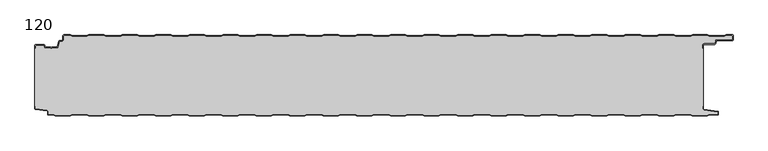
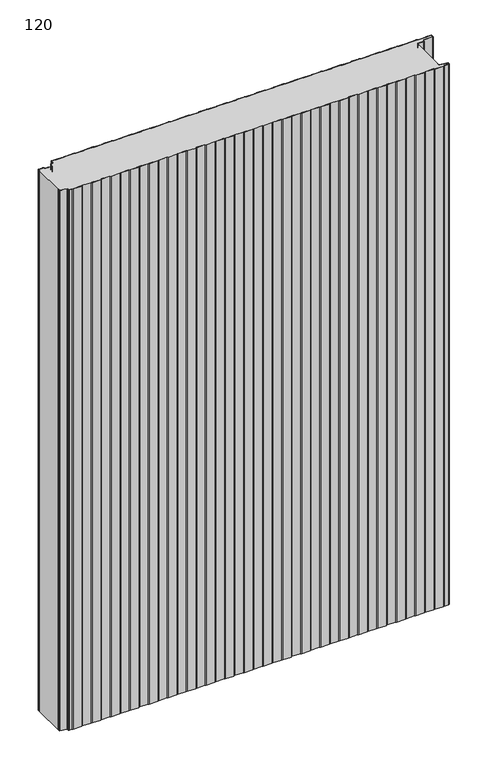
"""IFC4 building model written with IfcOpenShell, lengths in millimetres: plate geometry, 120."""

from ifc_helpers import new_model, si_unit, point, frame_2d, origin, origin_with_axes, place, context, project, spatial, polyline, circle_curve, trimmed, segment, composite_curve, outline, extrude, source, transform, mapped, element, save


def plate_120_201eafa0(model_context):
    return source(origin(), model_context, "Body", "SweptSolid", [
        extrude(outline(composite_curve([segment(trimmed(circle_curve(frame_2d((-498.6, -16.2480681)), 1.4), [point((-500.0, -16.2480681))], [point((-498.6, -14.8480681))], False, "CARTESIAN"), True, "CONTINUOUS"), segment(polyline([(-498.6, -14.8480681), (-486.4969094, -14.8480681)]), True, "CONTINUOUS"), segment(trimmed(circle_curve(frame_2d((-486.4969094, -16.2480681)), 1.4), [point((-486.4969094, -14.8480681))], [point((-485.1275334, -15.9568477))], False, "CARTESIAN"), True, "CONTINUOUS"), segment(polyline([(-485.1275334, -15.9568477), (-484.6878192, -18.0244711)]), True, "CONTINUOUS"), segment(trimmed(circle_curve(frame_2d((-484.1011925, -17.8997153)), 0.5997457), [point((-484.6878192, -18.0244711))], [point((-484.1011925, -18.499461))], True, "CARTESIAN"), True, "CONTINUOUS"), segment(polyline([(-484.1011925, -18.499461), (-476.9006569, -18.499461)]), True, "CONTINUOUS"), segment(trimmed(circle_curve(frame_2d((-476.9006569, -19.799946)), 1.300485), [point((-476.9006569, -18.499461))], [point((-475.9808032, -18.8806362))], False, "CARTESIAN"), True, "CONTINUOUS"), segment(trimmed(circle_curve(frame_2d((-475.5877843, -18.5693125)), 0.5013845), [point((-475.9808032, -18.8806362))], [point((-475.2328971, -18.9234896))], True, "CARTESIAN"), True, "CONTINUOUS"), segment(trimmed(circle_curve(frame_2d((-474.2728751, -19.8002001)), 1.3001013), [point((-475.2328971, -18.9234896))], [point((-474.2728751, -18.5000988))], False, "CARTESIAN"), True, "CONTINUOUS"), segment(polyline([(-474.2728751, -18.5000988), (-467.0728572, -18.5000988)]), True, "CONTINUOUS"), segment(trimmed(circle_curve(frame_2d((-467.0728572, -17.9000522)), 0.6000466), [point((-467.0728572, -18.5000988))], [point((-466.4859224, -18.0248059))], True, "CARTESIAN"), True, "CONTINUOUS"), segment(polyline([(-466.4859224, -18.0248059), (-464.8033928, -10.1089305)]), True, "CONTINUOUS"), segment(trimmed(circle_curve(frame_2d((-463.4339847, -10.4)), 1.4), [point((-464.8033928, -10.1089305))], [point((-463.4339847, -9.0))], False, "CARTESIAN"), True, "CONTINUOUS"), segment(polyline([(-463.4339847, -9.0), (-460.4027062, -9.0)]), True, "CONTINUOUS"), segment(trimmed(circle_curve(frame_2d((-460.4027062, -7.1)), 1.9), [point((-460.4027062, -9.0))], [point((-458.5027062, -7.1))], True, "CARTESIAN"), True, "CONTINUOUS"), segment(polyline([(-458.5027062, -7.1), (-458.5027062, -2.0)]), True, "CONTINUOUS"), segment(trimmed(circle_curve(frame_2d((-456.5027062, -2.0)), 2.0), [point((-458.5027062, -2.0))], [point((-456.5027062, 0.0))], False, "CARTESIAN"), True, "CONTINUOUS"), segment(polyline([(-456.5027062, 0.0), (-447.5017452, 0.0), (-444.5017452, -1.0), (-422.5017452, -1.0), (-419.5017452, 0.0), (-397.5017452, 0.0), (-394.5017452, -1.0), (-372.5017452, -1.0), (-369.5017452, 0.0), (-347.5017452, 0.0), (-344.5017452, -1.0), (-322.5017452, -1.0), (-319.5017452, 0.0), (-297.5017452, 0.0), (-294.5017452, -1.0), (-272.5017452, -1.0), (-269.5017452, 0.0), (-247.5017452, 0.0), (-244.5017452, -1.0), (-222.5017452, -1.0), (-219.5017452, 0.0), (-197.5017452, 0.0), (-194.5017452, -1.0), (-172.5017452, -1.0), (-169.5017452, 0.0), (-147.5017452, 0.0), (-144.5017452, -1.0), (-122.5017452, -1.0), (-119.5017452, 0.0), (-97.5017452, 0.0), (-94.5017452, -1.0), (-72.5017452, -1.0), (-69.5017452, 0.0), (-47.5017452, 0.0), (-44.5017452, -1.0), (-22.5017452, -1.0), (-19.5017452, 0.0), (2.4982548, 0.0), (5.4982548, -1.0), (27.4982548, -1.0), (30.4982548, 0.0), (52.4982548, 0.0), (55.4982548, -1.0), (77.4982548, -1.0), (80.4982548, 0.0), (102.4982548, 0.0), (105.4982548, -1.0), (127.4982548, -1.0), (130.4982548, 0.0), (152.4982548, 0.0), (155.4982548, -1.0), (177.4982548, -1.0), (180.4982548, 0.0), (202.4982548, 0.0), (205.4982548, -1.0), (227.4982548, -1.0), (230.4982548, 0.0), (252.4982548, 0.0), (255.4982548, -1.0), (277.4982548, -1.0), (280.4982548, 0.0), (302.4982548, 0.0), (305.4982548, -1.0), (327.4982548, -1.0), (330.4982548, 0.0), (352.4982548, 0.0), (355.4982548, -1.0), (377.4982548, -1.0), (380.4982548, 0.0), (402.4982548, 0.0), (405.4982548, -1.0), (427.4982548, -1.0), (430.4982548, 0.0), (452.4982548, 0.0), (455.4982548, -1.0), (477.4982548, -1.0), (480.4982548, 0.0), (502.4982548, 0.0), (505.4982548, -1.0), (527.4982548, -1.0), (530.4982548, 0.0), (539.4972938, 0.0)]), True, "CONTINUOUS"), segment(trimmed(circle_curve(frame_2d((539.4972938, -2.0)), 2.0), [point((539.4972938, 0.0))], [point((541.0, -0.6801992))], False, "CARTESIAN"), True, "CONTINUOUS"), segment(polyline([(541.0, -0.6801992), (541.0, -8.0014566)]), True, "CONTINUOUS"), segment(trimmed(circle_curve(frame_2d((539.7972938, -6.8)), 1.7), [point((541.0, -8.0014566))], [point((539.7972938, -8.5))], False, "CARTESIAN"), True, "CONTINUOUS"), segment(polyline([(539.7972938, -8.5), (517.0135311, -8.5)]), True, "CONTINUOUS"), segment(trimmed(circle_curve(frame_2d((517.0135311, -9.9)), 1.4), [point((517.0135311, -8.5))], [point((515.6441245, -9.6089236))], True, "CARTESIAN"), True, "CONTINUOUS"), segment(polyline([(515.6441245, -9.6089236), (514.8724972, -13.2391445)]), True, "CONTINUOUS"), segment(trimmed(circle_curve(frame_2d((513.5030906, -12.9480681)), 1.4), [point((514.8724972, -13.2391445))], [point((513.5030906, -14.3480681))], False, "CARTESIAN"), True, "CONTINUOUS"), segment(polyline([(513.5030906, -14.3480681), (497.9, -14.3480681)]), True, "CONTINUOUS"), segment(trimmed(circle_curve(frame_2d((497.9, -15.7480681)), 1.4), [point((497.9, -14.3480681))], [point((496.5, -15.7480681))], True, "CARTESIAN"), True, "CONTINUOUS"), segment(polyline([(496.5, -15.7480681), (496.5, -20.2482392), (495.7, -20.2482392), (495.7, -15.7480681)]), True, "CONTINUOUS"), segment(trimmed(circle_curve(frame_2d((497.9, -15.7480681)), 2.2), [point((495.7, -15.7480681))], [point((497.9, -13.5480681))], False, "CARTESIAN"), True, "CONTINUOUS"), segment(polyline([(497.9, -13.5480681), (513.5030906, -13.5480681)]), True, "CONTINUOUS"), segment(trimmed(circle_curve(frame_2d((513.5030906, -12.9480681)), 0.6), [point((513.5030906, -13.5480681))], [point((514.0899792, -13.0728151))], True, "CARTESIAN"), True, "CONTINUOUS"), segment(polyline([(514.0899792, -13.0728151), (514.8616064, -9.4425943)]), True, "CONTINUOUS"), segment(trimmed(circle_curve(frame_2d((517.0135311, -9.9)), 2.2), [point((514.8616064, -9.4425943))], [point((517.0135311, -7.7))], False, "CARTESIAN"), True, "CONTINUOUS"), segment(polyline([(517.0135311, -7.7), (539.7972938, -7.7)]), True, "CONTINUOUS"), segment(trimmed(circle_curve(frame_2d((539.7972938, -6.8)), 0.9), [point((539.7972938, -7.7))], [point((540.6972938, -6.8))], True, "CARTESIAN"), True, "CONTINUOUS"), segment(polyline([(540.6972938, -6.8), (540.6972938, -2.0)]), True, "CONTINUOUS"), segment(trimmed(circle_curve(frame_2d((539.4972938, -2.0)), 1.2), [point((540.6972938, -2.0))], [point((539.4972938, -0.8))], True, "CARTESIAN"), True, "CONTINUOUS"), segment(polyline([(539.4972938, -0.8), (530.6280769, -0.8), (527.6280769, -1.8), (505.3684327, -1.8), (502.3684327, -0.8), (480.6280769, -0.8), (477.6280769, -1.8), (455.3684327, -1.8), (452.3684327, -0.8), (430.6280769, -0.8), (427.6280769, -1.8), (405.3684327, -1.8), (402.3684327, -0.8), (380.6280769, -0.8), (377.6280769, -1.8), (355.3684327, -1.8), (352.3684327, -0.8), (330.6280769, -0.8), (327.6280769, -1.8), (305.3684327, -1.8), (302.3684327, -0.8), (280.6280769, -0.8), (277.6280769, -1.8), (255.3684327, -1.8), (252.3684327, -0.8), (230.6280769, -0.8), (227.6280769, -1.8), (205.3684327, -1.8), (202.3684327, -0.8), (180.6280769, -0.8), (177.6280769, -1.8), (155.3684327, -1.8), (152.3684327, -0.8), (130.6280769, -0.8), (127.6280769, -1.8), (105.3684327, -1.8), (102.3684327, -0.8), (80.6280769, -0.8), (77.6280769, -1.8), (55.3684327, -1.8), (52.3684327, -0.8), (30.6280769, -0.8), (27.6280769, -1.8), (5.3684327, -1.8), (2.3684327, -0.8), (-19.3719231, -0.8), (-22.3719231, -1.8), (-44.6315673, -1.8), (-47.6315673, -0.8), (-69.3719231, -0.8), (-72.3719231, -1.8), (-94.6315673, -1.8), (-97.6315673, -0.8), (-119.3719231, -0.8), (-122.3719231, -1.8), (-144.6315673, -1.8), (-147.6315673, -0.8), (-169.3719231, -0.8), (-172.3719231, -1.8), (-194.6315673, -1.8), (-197.6315673, -0.8), (-219.3719231, -0.8), (-222.3719231, -1.8), (-244.6315673, -1.8), (-247.6315673, -0.8), (-269.3719231, -0.8), (-272.3719231, -1.8), (-294.6315673, -1.8), (-297.6315673, -0.8), (-319.3719231, -0.8), (-322.3719231, -1.8), (-344.6315673, -1.8), (-347.6315673, -0.8), (-369.3719231, -0.8), (-372.3719231, -1.8), (-394.6315673, -1.8), (-397.6315673, -0.8), (-419.3719231, -0.8), (-422.3719231, -1.8), (-444.6315673, -1.8), (-447.6315673, -0.8), (-456.5027062, -0.8)]), True, "CONTINUOUS"), segment(trimmed(circle_curve(frame_2d((-456.5027062, -2.0)), 1.2), [point((-456.5027062, -0.8))], [point((-457.7027062, -2.0))], True, "CARTESIAN"), True, "CONTINUOUS"), segment(polyline([(-457.7027062, -2.0), (-457.7027062, -7.1)]), True, "CONTINUOUS"), segment(trimmed(circle_curve(frame_2d((-460.4027062, -7.1)), 2.7), [point((-457.7027062, -7.1))], [point((-460.4027062, -9.8))], False, "CARTESIAN"), True, "CONTINUOUS"), segment(polyline([(-460.4027062, -9.8), (-463.4339847, -9.8)]), True, "CONTINUOUS"), segment(trimmed(circle_curve(frame_2d((-463.4339847, -10.4)), 0.6), [point((-463.4339847, -9.8))], [point((-464.0208733, -10.275253))], True, "CARTESIAN"), True, "CONTINUOUS"), segment(polyline([(-464.0208733, -10.275253), (-465.7034335, -18.1910764)]), True, "CONTINUOUS"), segment(trimmed(circle_curve(frame_2d((-467.0728401, -17.9)), 1.4), [point((-465.7034335, -18.1910764))], [point((-467.0728401, -19.3))], False, "CARTESIAN"), True, "CONTINUOUS"), segment(polyline([(-467.0728401, -19.3), (-474.5122154, -19.3)]), True, "CONTINUOUS"), segment(trimmed(circle_curve(frame_2d((-475.5869697, -18.5686292)), 1.3), [point((-474.5122154, -19.3))], [point((-476.6617239, -19.3))], False, "CARTESIAN"), True, "CONTINUOUS"), segment(polyline([(-476.6617239, -19.3), (-484.1010993, -19.3)]), True, "CONTINUOUS"), segment(trimmed(circle_curve(frame_2d((-484.1010993, -17.9)), 1.4), [point((-484.1010993, -19.3))], [point((-485.4705059, -18.1910764))], False, "CARTESIAN"), True, "CONTINUOUS"), segment(polyline([(-485.4705059, -18.1910764), (-485.9100208, -16.1233211)]), True, "CONTINUOUS"), segment(trimmed(circle_curve(frame_2d((-486.4969094, -16.2480681)), 0.6), [point((-485.9100208, -16.1233211))], [point((-486.4969094, -15.6480681))], True, "CARTESIAN"), True, "CONTINUOUS"), segment(polyline([(-486.4969094, -15.6480681), (-498.6, -15.6480681)]), True, "CONTINUOUS"), segment(trimmed(circle_curve(frame_2d((-498.6, -16.2480681)), 0.6), [point((-498.6, -15.6480681))], [point((-499.2, -16.2480681))], True, "CARTESIAN"), True, "CONTINUOUS"), segment(polyline([(-499.2, -16.2480681), (-499.2, -20.2482392), (-500.0, -20.2482392), (-500.0, -16.2480681)]), True, "CONTINUOUS")], self_intersect=False)), origin_with_axes(), (0.0, 0.0, 1.0), 1500.0),
        extrude(outline(composite_curve([segment(polyline([(-500.0, -106.3232445), (-500.0, -20.2482392), (-499.2, -20.2482392), (-499.2, -16.2480681)]), True, "CONTINUOUS"), segment(trimmed(circle_curve(frame_2d((-498.6, -16.2480681)), 0.6), [point((-499.2, -16.2480681))], [point((-498.6, -15.6480681))], False, "CARTESIAN"), True, "CONTINUOUS"), segment(polyline([(-498.6, -15.6480681), (-486.4969094, -15.6480681)]), True, "CONTINUOUS"), segment(trimmed(circle_curve(frame_2d((-486.4969094, -16.2480681)), 0.6), [point((-486.4969094, -15.6480681))], [point((-485.9100208, -16.1233211))], False, "CARTESIAN"), True, "CONTINUOUS"), segment(polyline([(-485.9100208, -16.1233211), (-485.4705059, -18.1910764)]), True, "CONTINUOUS"), segment(trimmed(circle_curve(frame_2d((-484.1010993, -17.9)), 1.4), [point((-485.4705059, -18.1910764))], [point((-484.1010993, -19.3))], True, "CARTESIAN"), True, "CONTINUOUS"), segment(polyline([(-484.1010993, -19.3), (-476.6617239, -19.3)]), True, "CONTINUOUS"), segment(trimmed(circle_curve(frame_2d((-475.5869697, -18.5686292)), 1.3), [point((-476.6617239, -19.3))], [point((-474.5122154, -19.3))], True, "CARTESIAN"), True, "CONTINUOUS"), segment(polyline([(-474.5122154, -19.3), (-467.0728401, -19.3)]), True, "CONTINUOUS"), segment(trimmed(circle_curve(frame_2d((-467.0728401, -17.9)), 1.4), [point((-467.0728401, -19.3))], [point((-465.7034335, -18.1910764))], True, "CARTESIAN"), True, "CONTINUOUS"), segment(polyline([(-465.7034335, -18.1910764), (-464.0208733, -10.275253)]), True, "CONTINUOUS"), segment(trimmed(circle_curve(frame_2d((-463.4339847, -10.4)), 0.6), [point((-464.0208733, -10.275253))], [point((-463.4339847, -9.8))], False, "CARTESIAN"), True, "CONTINUOUS"), segment(polyline([(-463.4339847, -9.8), (-460.4027062, -9.8)]), True, "CONTINUOUS"), segment(trimmed(circle_curve(frame_2d((-460.4027062, -7.1)), 2.7), [point((-460.4027062, -9.8))], [point((-457.7027062, -7.1))], True, "CARTESIAN"), True, "CONTINUOUS"), segment(polyline([(-457.7027062, -7.1), (-457.7027062, -2.0)]), True, "CONTINUOUS"), segment(trimmed(circle_curve(frame_2d((-456.5027062, -2.0)), 1.2), [point((-457.7027062, -2.0))], [point((-456.5027062, -0.8))], False, "CARTESIAN"), True, "CONTINUOUS"), segment(polyline([(-456.5027062, -0.8), (-447.6315673, -0.8), (-444.6315673, -1.8), (-422.3719231, -1.8), (-419.3719231, -0.8), (-397.6315673, -0.8), (-394.6315673, -1.8), (-372.3719231, -1.8), (-369.3719231, -0.8), (-347.6315673, -0.8), (-344.6315673, -1.8), (-322.3719231, -1.8), (-319.3719231, -0.8), (-297.6315673, -0.8), (-294.6315673, -1.8), (-272.3719231, -1.8), (-269.3719231, -0.8), (-247.6315673, -0.8), (-244.6315673, -1.8), (-222.3719231, -1.8), (-219.3719231, -0.8), (-197.6315673, -0.8), (-194.6315673, -1.8), (-172.3719231, -1.8), (-169.3719231, -0.8), (-147.6315673, -0.8), (-144.6315673, -1.8), (-122.3719231, -1.8), (-119.3719231, -0.8), (-97.6315673, -0.8), (-94.6315673, -1.8), (-72.3719231, -1.8), (-69.3719231, -0.8), (-47.6315673, -0.8), (-44.6315673, -1.8), (-22.3719231, -1.8), (-19.3719231, -0.8), (2.3684327, -0.8), (5.3684327, -1.8), (27.6280769, -1.8), (30.6280769, -0.8), (52.3684327, -0.8), (55.3684327, -1.8), (77.6280769, -1.8), (80.6280769, -0.8), (102.3684327, -0.8), (105.3684327, -1.8), (127.6280769, -1.8), (130.6280769, -0.8), (152.3684327, -0.8), (155.3684327, -1.8), (177.6280769, -1.8), (180.6280769, -0.8), (202.3684327, -0.8), (205.3684327, -1.8), (227.6280769, -1.8), (230.6280769, -0.8), (252.3684327, -0.8), (255.3684327, -1.8), (277.6280769, -1.8), (280.6280769, -0.8), (302.3684327, -0.8), (305.3684327, -1.8), (327.6280769, -1.8), (330.6280769, -0.8), (352.3684327, -0.8), (355.3684327, -1.8), (377.6280769, -1.8), (380.6280769, -0.8), (402.3684327, -0.8), (405.3684327, -1.8), (427.6280769, -1.8), (430.6280769, -0.8), (452.3684327, -0.8), (455.3684327, -1.8), (477.6280769, -1.8), (480.6280769, -0.8), (502.3684327, -0.8), (505.3684327, -1.8), (527.6280769, -1.8), (530.6280769, -0.8), (539.4972938, -0.8)]), True, "CONTINUOUS"), segment(trimmed(circle_curve(frame_2d((539.4972938, -2.0)), 1.2), [point((539.4972938, -0.8))], [point((540.6972938, -2.0))], False, "CARTESIAN"), True, "CONTINUOUS"), segment(polyline([(540.6972938, -2.0), (540.6972938, -6.8)]), True, "CONTINUOUS"), segment(trimmed(circle_curve(frame_2d((539.7972938, -6.8)), 0.9), [point((540.6972938, -6.8))], [point((539.7972938, -7.7))], False, "CARTESIAN"), True, "CONTINUOUS"), segment(polyline([(539.7972938, -7.7), (517.0135311, -7.7)]), True, "CONTINUOUS"), segment(trimmed(circle_curve(frame_2d((517.0135311, -9.9)), 2.2), [point((517.0135311, -7.7))], [point((514.8616064, -9.4425943))], True, "CARTESIAN"), True, "CONTINUOUS"), segment(polyline([(514.8616064, -9.4425943), (514.0899792, -13.0728151)]), True, "CONTINUOUS"), segment(trimmed(circle_curve(frame_2d((513.5030906, -12.9480681)), 0.6), [point((514.0899792, -13.0728151))], [point((513.5030906, -13.5480681))], False, "CARTESIAN"), True, "CONTINUOUS"), segment(polyline([(513.5030906, -13.5480681), (497.9, -13.5480681)]), True, "CONTINUOUS"), segment(trimmed(circle_curve(frame_2d((497.9, -15.7480681)), 2.2), [point((497.9, -13.5480681))], [point((495.7, -15.7480681))], True, "CARTESIAN"), True, "CONTINUOUS"), segment(polyline([(495.7, -15.7480681), (495.7, -20.2482392), (496.5, -20.2482392), (496.5, -106.3232445), (495.7, -106.3232445), (495.7, -110.7275325)]), True, "CONTINUOUS"), segment(trimmed(circle_curve(frame_2d((497.2, -110.7275325)), 1.5), [point((495.7, -110.7275325))], [point((496.9911207, -112.2129178))], True, "CARTESIAN"), True, "CONTINUOUS"), segment(polyline([(496.9911207, -112.2129178), (517.69005, -115.1236622)]), True, "CONTINUOUS"), segment(trimmed(circle_curve(frame_2d((517.6075495, -115.7103403)), 0.5924505), [point((517.69005, -115.1236622))], [point((518.2, -115.7103403))], False, "CARTESIAN"), True, "CONTINUOUS"), segment(polyline([(518.2, -115.7103403), (518.2, -118.7)]), True, "CONTINUOUS"), segment(trimmed(circle_curve(frame_2d((517.7, -118.7)), 0.5), [point((518.2, -118.7))], [point((517.7, -119.2))], False, "CARTESIAN"), True, "CONTINUOUS"), segment(polyline([(517.7, -119.2), (505.3684327, -119.2), (502.3684327, -120.2), (480.3684327, -120.2), (477.3684327, -119.2), (455.3684327, -119.2), (452.3684327, -120.2), (430.3684327, -120.2), (427.3684327, -119.2), (405.3684327, -119.2), (402.3684327, -120.2), (380.3684327, -120.2), (377.3684327, -119.2), (355.3684327, -119.2), (352.3684327, -120.2), (330.3684327, -120.2), (327.3684327, -119.2), (305.3684327, -119.2), (302.3684327, -120.2), (280.3684327, -120.2), (277.3684327, -119.2), (255.3684327, -119.2), (252.3684327, -120.2), (230.3684327, -120.2), (227.3684327, -119.2), (205.3684327, -119.2), (202.3684327, -120.2), (180.3684327, -120.2), (177.3684327, -119.2), (155.3684327, -119.2), (152.3684327, -120.2), (130.3684327, -120.2), (127.3684327, -119.2), (105.3684327, -119.2), (102.3684327, -120.2), (80.3684327, -120.2), (77.3684327, -119.2), (55.3684327, -119.2), (52.3684327, -120.2), (30.3684327, -120.2), (27.3684327, -119.2), (5.3684327, -119.2), (2.3684327, -120.2), (-19.6315673, -120.2), (-22.6315673, -119.2), (-44.6315673, -119.2), (-47.6315673, -120.2), (-69.6315673, -120.2), (-72.6315673, -119.2), (-94.6315673, -119.2), (-97.6315673, -120.2), (-119.6315673, -120.2), (-122.6315673, -119.2), (-144.6315673, -119.2), (-147.6315673, -120.2), (-169.6315673, -120.2), (-172.6315673, -119.2), (-194.6315673, -119.2), (-197.6315673, -120.2), (-219.6315673, -120.2), (-222.6315673, -119.2), (-244.6315673, -119.2), (-247.6315673, -120.2), (-269.6315673, -120.2), (-272.6315673, -119.2), (-294.6315673, -119.2), (-297.6315673, -120.2), (-319.6315673, -120.2), (-322.6315673, -119.2), (-344.6315673, -119.2), (-347.6315673, -120.2), (-369.6315673, -120.2), (-372.6315673, -119.2), (-394.6315673, -119.2), (-397.6315673, -120.2), (-419.6315673, -120.2), (-422.6315673, -119.2), (-444.6315673, -119.2), (-447.6315673, -120.2), (-469.6315673, -120.2), (-472.6315673, -119.2), (-479.7, -119.2)]), True, "CONTINUOUS"), segment(trimmed(circle_curve(frame_2d((-479.7, -118.7)), 0.5), [point((-479.7, -119.2))], [point((-480.2, -118.7))], False, "CARTESIAN"), True, "CONTINUOUS"), segment(polyline([(-480.2, -118.7), (-480.2, -114.6035317)]), True, "CONTINUOUS"), segment(trimmed(circle_curve(frame_2d((-481.7, -114.6035317)), 1.5), [point((-480.2, -114.6035317))], [point((-481.4911207, -113.1181464))], True, "CARTESIAN"), True, "CONTINUOUS"), segment(polyline([(-481.4911207, -113.1181464), (-498.6835517, -110.7004962)]), True, "CONTINUOUS"), segment(trimmed(circle_curve(frame_2d((-498.6, -110.1063421)), 0.6), [point((-498.6835517, -110.7004962))], [point((-499.2, -110.1063421))], False, "CARTESIAN"), True, "CONTINUOUS"), segment(polyline([(-499.2, -110.1063421), (-499.2, -106.3232445), (-500.0, -106.3232445)]), True, "CONTINUOUS")], self_intersect=False)), origin_with_axes(), (0.0, 0.0, 1.0), 1500.0),
        extrude(outline(composite_curve([segment(polyline([(-500.0, -106.3232445), (-499.2, -106.3232445), (-499.2, -110.1063421)]), True, "CONTINUOUS"), segment(trimmed(circle_curve(frame_2d((-498.6, -110.1063421)), 0.6), [point((-499.2, -110.1063421))], [point((-498.6835517, -110.7004962))], True, "CARTESIAN"), True, "CONTINUOUS"), segment(polyline([(-498.6835517, -110.7004962), (-481.4911207, -113.1181464)]), True, "CONTINUOUS"), segment(trimmed(circle_curve(frame_2d((-481.7, -114.6035317)), 1.5), [point((-481.4911207, -113.1181464))], [point((-480.2, -114.6035317))], False, "CARTESIAN"), True, "CONTINUOUS"), segment(polyline([(-480.2, -114.6035317), (-480.2, -118.7)]), True, "CONTINUOUS"), segment(trimmed(circle_curve(frame_2d((-479.7, -118.7)), 0.5), [point((-480.2, -118.7))], [point((-479.7, -119.2))], True, "CARTESIAN"), True, "CONTINUOUS"), segment(polyline([(-479.7, -119.2), (-472.6315673, -119.2), (-469.6315673, -120.2), (-447.6315673, -120.2), (-444.6315673, -119.2), (-422.6315673, -119.2), (-419.6315673, -120.2), (-397.6315673, -120.2), (-394.6315673, -119.2), (-372.6315673, -119.2), (-369.6315673, -120.2), (-347.6315673, -120.2), (-344.6315673, -119.2), (-322.6315673, -119.2), (-319.6315673, -120.2), (-297.6315673, -120.2), (-294.6315673, -119.2), (-272.6315673, -119.2), (-269.6315673, -120.2), (-247.6315673, -120.2), (-244.6315673, -119.2), (-222.6315673, -119.2), (-219.6315673, -120.2), (-197.6315673, -120.2), (-194.6315673, -119.2), (-172.6315673, -119.2), (-169.6315673, -120.2), (-147.6315673, -120.2), (-144.6315673, -119.2), (-122.6315673, -119.2), (-119.6315673, -120.2), (-97.6315673, -120.2), (-94.6315673, -119.2), (-72.6315673, -119.2), (-69.6315673, -120.2), (-47.6315673, -120.2), (-44.6315673, -119.2), (-22.6315673, -119.2), (-19.6315673, -120.2), (2.3684327, -120.2), (5.3684327, -119.2), (27.3684327, -119.2), (30.3684327, -120.2), (52.3684327, -120.2), (55.3684327, -119.2), (77.3684327, -119.2), (80.3684327, -120.2), (102.3684327, -120.2), (105.3684327, -119.2), (127.3684327, -119.2), (130.3684327, -120.2), (152.3684327, -120.2), (155.3684327, -119.2), (177.3684327, -119.2), (180.3684327, -120.2), (202.3684327, -120.2), (205.3684327, -119.2), (227.3684327, -119.2), (230.3684327, -120.2), (252.3684327, -120.2), (255.3684327, -119.2), (277.3684327, -119.2), (280.3684327, -120.2), (302.3684327, -120.2), (305.3684327, -119.2), (327.3684327, -119.2), (330.3684327, -120.2), (352.3684327, -120.2), (355.3684327, -119.2), (377.3684327, -119.2), (380.3684327, -120.2), (402.3684327, -120.2), (405.3684327, -119.2), (427.3684327, -119.2), (430.3684327, -120.2), (452.3684327, -120.2), (455.3684327, -119.2), (477.3684327, -119.2), (480.3684327, -120.2), (502.3684327, -120.2), (505.3684327, -119.2), (517.7, -119.2)]), True, "CONTINUOUS"), segment(trimmed(circle_curve(frame_2d((517.7, -118.7)), 0.5), [point((517.7, -119.2))], [point((518.2, -118.7))], True, "CARTESIAN"), True, "CONTINUOUS"), segment(polyline([(518.2, -118.7), (518.2, -115.7103403)]), True, "CONTINUOUS"), segment(trimmed(circle_curve(frame_2d((517.6075495, -115.7103403)), 0.5924505), [point((518.2, -115.7103403))], [point((517.69005, -115.1236622))], True, "CARTESIAN"), True, "CONTINUOUS"), segment(polyline([(517.69005, -115.1236622), (496.9911207, -112.2129178)]), True, "CONTINUOUS"), segment(trimmed(circle_curve(frame_2d((497.2, -110.7275325)), 1.5), [point((496.9911207, -112.2129178))], [point((495.7, -110.7275325))], False, "CARTESIAN"), True, "CONTINUOUS"), segment(polyline([(495.7, -110.7275325), (495.7, -106.3232445), (496.5, -106.3232445), (496.5, -110.7275325)]), True, "CONTINUOUS"), segment(trimmed(circle_curve(frame_2d((497.2, -110.7275325)), 0.7), [point((496.5, -110.7275325))], [point((497.102523, -111.4207123))], True, "CARTESIAN"), True, "CONTINUOUS"), segment(polyline([(497.102523, -111.4207123), (517.8810287, -114.342647)]), True, "CONTINUOUS"), segment(trimmed(circle_curve(frame_2d((517.7, -115.6299809)), 1.3), [point((517.8810287, -114.342647))], [point((519.0, -115.6299809))], False, "CARTESIAN"), True, "CONTINUOUS"), segment(polyline([(519.0, -115.6299809), (519.0, -118.7)]), True, "CONTINUOUS"), segment(trimmed(circle_curve(frame_2d((517.7, -118.7)), 1.3), [point((519.0, -118.7))], [point((517.7, -120.0))], False, "CARTESIAN"), True, "CONTINUOUS"), segment(polyline([(517.7, -120.0), (505.4982548, -120.0), (502.4982548, -121.0), (480.2386105, -121.0), (477.2386105, -120.0), (455.4982548, -120.0), (452.4982548, -121.0), (430.2386105, -121.0), (427.2386105, -120.0), (405.4982548, -120.0), (402.4982548, -121.0), (380.2386105, -121.0), (377.2386105, -120.0), (355.4982548, -120.0), (352.4982548, -121.0), (330.2386105, -121.0), (327.2386105, -120.0), (305.4982548, -120.0), (302.4982548, -121.0), (280.2386105, -121.0), (277.2386105, -120.0), (255.4982548, -120.0), (252.4982548, -121.0), (230.2386105, -121.0), (227.2386105, -120.0), (205.4982548, -120.0), (202.4982548, -121.0), (180.2386105, -121.0), (177.2386105, -120.0), (155.4982548, -120.0), (152.4982548, -121.0), (130.2386105, -121.0), (127.2386105, -120.0), (105.4982548, -120.0), (102.4982548, -121.0), (80.2386105, -121.0), (77.2386105, -120.0), (55.4982548, -120.0), (52.4982548, -121.0), (30.2386105, -121.0), (27.2386105, -120.0), (5.4982548, -120.0), (2.4982548, -121.0), (-19.7613895, -121.0), (-22.7613895, -120.0), (-44.5017452, -120.0), (-47.5017452, -121.0), (-69.7613895, -121.0), (-72.7613895, -120.0), (-94.5017452, -120.0), (-97.5017452, -121.0), (-119.7613895, -121.0), (-122.7613895, -120.0), (-144.5017452, -120.0), (-147.5017452, -121.0), (-169.7613895, -121.0), (-172.7613895, -120.0), (-194.5017452, -120.0), (-197.5017452, -121.0), (-219.7613895, -121.0), (-222.7613895, -120.0), (-244.5017452, -120.0), (-247.5017452, -121.0), (-269.7613895, -121.0), (-272.7613895, -120.0), (-294.5017452, -120.0), (-297.5017452, -121.0), (-319.7613895, -121.0), (-322.7613895, -120.0), (-344.5017452, -120.0), (-347.5017452, -121.0), (-369.7613895, -121.0), (-372.7613895, -120.0), (-394.5017452, -120.0), (-397.5017452, -121.0), (-419.7613895, -121.0), (-422.7613895, -120.0), (-444.5017452, -120.0), (-447.5017452, -121.0), (-469.7613895, -121.0), (-472.7613895, -120.0), (-479.7, -120.0)]), True, "CONTINUOUS"), segment(trimmed(circle_curve(frame_2d((-479.7, -118.7)), 1.3), [point((-479.7, -120.0))], [point((-481.0, -118.7))], False, "CARTESIAN"), True, "CONTINUOUS"), segment(polyline([(-481.0, -118.7), (-481.0, -114.6035317)]), True, "CONTINUOUS"), segment(trimmed(circle_curve(frame_2d((-481.7, -114.6035317)), 0.7), [point((-481.0, -114.6035317))], [point((-481.602523, -113.9103519))], True, "CARTESIAN"), True, "CONTINUOUS"), segment(polyline([(-481.602523, -113.9103519), (-498.8810287, -111.4805976)]), True, "CONTINUOUS"), segment(trimmed(circle_curve(frame_2d((-498.7, -110.1932637)), 1.3), [point((-498.8810287, -111.4805976))], [point((-500.0, -110.1932637))], False, "CARTESIAN"), True, "CONTINUOUS"), segment(polyline([(-500.0, -110.1932637), (-500.0, -106.3232445)]), True, "CONTINUOUS")], self_intersect=False)), origin_with_axes(), (0.0, 0.0, 1.0), 1500.0),
    ])


if __name__ == "__main__":
    model = new_model("IFC4")
    model_context = context("Model", 3, world=origin())
    ifc_project = project(units=[si_unit("LENGTHUNIT", "METRE", prefix="MILLI")], contexts=[model_context])
    site = spatial("IfcSite", under=ifc_project)
    building = spatial("IfcBuilding", under=site)
    placement = place(None, origin())
    plate_120_shape = plate_120_201eafa0(model_context)
    element("IfcPlate", 1, ObjectType="120", at=placement, inside=building, context=model_context, shape_type="MappedRepresentation", body=[
        mapped(plate_120_shape, transform((0.0, 0.0, 0.0), x_axis=(1.0, 0.0, 0.0), y_axis=(0.0, 1.0, 0.0), z_axis=(0.0, 0.0, 1.0))),
    ])
    save(model, "model.ifc")
